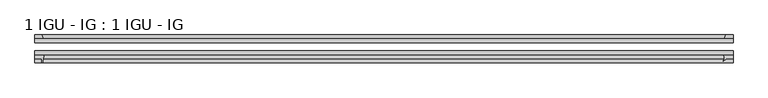
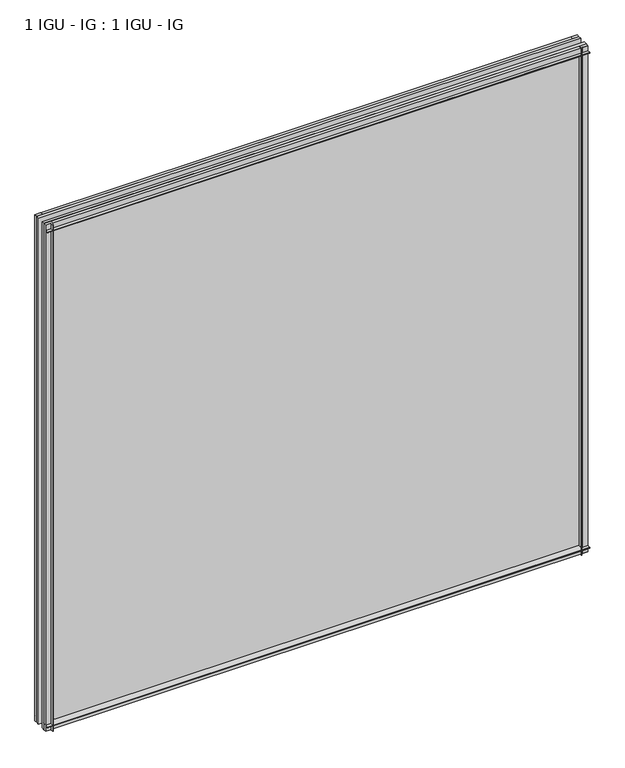
"""IFC4 building model written with IfcOpenShell, lengths in millimetres: plate geometry, 1 IGU - IG : 1 IGU - IG."""

from ifc_helpers import new_model, si_unit, point, frame, frame_2d, origin, place, context, project, spatial, polyline, circle_curve, trimmed, segment, composite_curve, outline, extrude, source, transform, mapped, element, save


def plate_1_igu_ig_1_igu_ig_ec8e99bf(model_context):
    return source(origin(), model_context, "Body", "SweptSolid", [
        extrude(outline(polyline([(577.8980842, -31.75), (577.8980842, -38.1), (-539.7980842, -38.1), (-539.7980842, -31.75), (577.8980842, -31.75)])), frame((0.0, 0.0, -11.1125), z_axis=(0.0, 0.0, 1.0), x_axis=(1.0, 0.0, 0.0)), (0.0, 0.0, 1.0), 1101.725),
        extrude(outline(polyline([(-539.7980842, -12.7), (577.8980842, -12.7), (577.8980842, -19.05), (-539.7980842, -19.05), (-539.7980842, -12.7)])), frame((0.0, 0.0, -11.1125), z_axis=(0.0, 0.0, 1.0), x_axis=(1.0, 0.0, 0.0)), (0.0, 0.0, 1.0), 1101.725),
        extrude(outline(polyline([(563.8391443, -12.7), (565.9444214, -6.35), (577.8980842, -6.35), (577.8980842, -12.7), (563.8391443, -12.7)])), frame((0.0, 0.0, -11.1125), z_axis=(0.0, 0.0, 1.0), x_axis=(1.0, 0.0, 0.0)), (0.0, 0.0, 1.0), 1101.725),
        extrude(outline(composite_curve([segment(trimmed(circle_curve(frame_2d((555.0469853, -42.5735189)), 8.7187667), [point((562.0468913, -47.7714232))], [point((562.5306022, -38.1))], True, "CARTESIAN"), True, "CONTINUOUS"), segment(polyline([(562.5306022, -38.1), (577.8980842, -38.1), (577.8980842, -44.45), (566.7855842, -44.45), (562.3248748, -48.9107094)]), True, "CONTINUOUS"), segment(trimmed(circle_curve(frame_2d((562.6586669, -48.225708)), 0.762), [point((562.3248748, -48.9107094))], [point((562.0468913, -47.7714232))], False, "CARTESIAN"), True, "CONTINUOUS")], self_intersect=False)), frame((0.0, 0.0, -11.1125), z_axis=(0.0, 0.0, 1.0), x_axis=(1.0, 0.0, 0.0)), (0.0, 0.0, 1.0), 1101.725),
        extrude(outline(composite_curve([segment(polyline([(-539.7980842, -38.1), (-524.504405, -38.1)]), True, "CONTINUOUS"), segment(trimmed(circle_curve(frame_2d((-481.2453887, -53.3794536)), 45.8781451), [point((-524.504405, -38.1))], [point((-527.0056415, -50.0925922))], True, "CARTESIAN"), True, "CONTINUOUS"), segment(trimmed(circle_curve(frame_2d((-527.7656834, -50.038)), 0.762), [point((-527.0056415, -50.0925922))], [point((-527.7656834, -50.8))], False, "CARTESIAN"), True, "CONTINUOUS"), segment(polyline([(-527.7656834, -50.8), (-528.6855842, -50.8), (-528.6855842, -44.45), (-539.7980842, -44.45), (-539.7980842, -38.1)]), True, "CONTINUOUS")], self_intersect=False)), frame((0.0, 0.0, -11.1125), z_axis=(0.0, 0.0, 1.0), x_axis=(1.0, 0.0, 0.0)), (0.0, 0.0, 1.0), 1101.725),
        extrude(outline(polyline([(-526.5803072, -12.7), (-539.7980842, -12.7), (-539.7980842, -6.35), (-528.6855842, -6.35), (-526.5803072, -12.7)])), frame((0.0, 0.0, -11.1125), z_axis=(0.0, 0.0, 1.0), x_axis=(1.0, 0.0, 0.0)), (0.0, 0.0, 1.0), 1101.725),
        extrude(outline(polyline([(-12.7, -11.1125), (-12.7, 2.1052771), (-6.35, 0.0), (-6.35, -11.1125), (-12.7, -11.1125)])), frame((-539.7980842, 0.0, 0.0), z_axis=(1.0, 0.0, 0.0), x_axis=(0.0, 1.0, 0.0)), (0.0, 0.0, 1.0), 1117.6961685),
        extrude(outline(composite_curve([segment(polyline([(-38.1, 4.1811793), (-38.1, -11.1125), (-44.45, -11.1125), (-44.45, 0.0), (-50.8, 0.0), (-50.8, 0.9199009)]), True, "CONTINUOUS"), segment(trimmed(circle_curve(frame_2d((-50.038, 0.9199009)), 0.762), [point((-50.8, 0.9199009))], [point((-50.0925922, 1.6799428))], False, "CARTESIAN"), True, "CONTINUOUS"), segment(trimmed(circle_curve(frame_2d((-53.3794536, 47.4401956)), 45.8781451), [point((-50.0925922, 1.6799428))], [point((-38.1, 4.1811793))], True, "CARTESIAN"), True, "CONTINUOUS")], self_intersect=False)), frame((-539.7980842, 0.0, 0.0), z_axis=(1.0, 0.0, 0.0), x_axis=(0.0, 1.0, 0.0)), (0.0, 0.0, 1.0), 1117.6961685),
        extrude(outline(polyline([(-6.35, 1079.5), (-12.7, 1077.3947229), (-12.7, 1090.6125), (-6.35, 1090.6125), (-6.35, 1079.5)])), frame((-539.7980842, 0.0, 0.0), z_axis=(1.0, 0.0, 0.0), x_axis=(0.0, 1.0, 0.0)), (0.0, 0.0, 1.0), 1117.6961685),
        extrude(outline(composite_curve([segment(polyline([(-38.1, 1090.6125), (-38.1, 1075.3188207)]), True, "CONTINUOUS"), segment(trimmed(circle_curve(frame_2d((-53.3794536, 1032.0598044)), 45.8781451), [point((-38.1, 1075.3188207))], [point((-50.0925922, 1077.8200572))], True, "CARTESIAN"), True, "CONTINUOUS"), segment(trimmed(circle_curve(frame_2d((-50.038, 1078.5800991)), 0.762), [point((-50.0925922, 1077.8200572))], [point((-50.8, 1078.5800991))], False, "CARTESIAN"), True, "CONTINUOUS"), segment(polyline([(-50.8, 1078.5800991), (-50.8, 1079.5), (-44.45, 1079.5), (-44.45, 1090.6125), (-38.1, 1090.6125)]), True, "CONTINUOUS")], self_intersect=False)), frame((-539.7980842, 0.0, 0.0), z_axis=(1.0, 0.0, 0.0), x_axis=(0.0, 1.0, 0.0)), (0.0, 0.0, 1.0), 1117.6961685),
    ])


if __name__ == "__main__":
    model = new_model("IFC4")
    model_context = context("Model", 3, world=origin())
    ifc_project = project(units=[si_unit("LENGTHUNIT", "METRE", prefix="MILLI")], contexts=[model_context])
    site = spatial("IfcSite", under=ifc_project)
    building = spatial("IfcBuilding", under=site)
    placement = place(None, origin())
    plate_1_igu_ig_1_igu_ig_shape = plate_1_igu_ig_1_igu_ig_ec8e99bf(model_context)
    element("IfcPlate", 1, ObjectType="1 IGU - IG : 1 IGU - IG", at=placement, inside=building, context=model_context, shape_type="MappedRepresentation", body=[
        mapped(plate_1_igu_ig_1_igu_ig_shape, transform((0.0, 0.0, 0.0), x_axis=(1.0, 0.0, 0.0), y_axis=(0.0, 1.0, 0.0), z_axis=(0.0, 0.0, 1.0))),
    ])
    save(model, "model.ifc")
